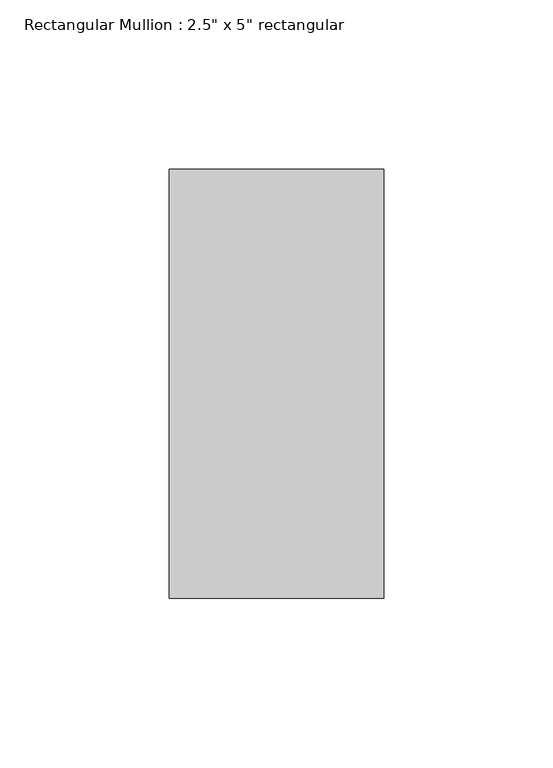
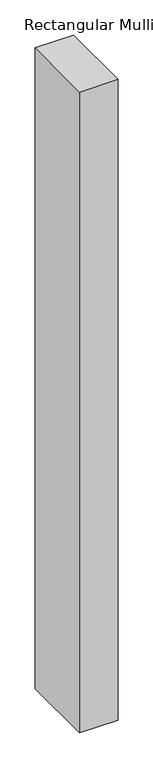
"""IFC4 building model written with IfcOpenShell, lengths in millimetres: member geometry."""

from ifc_helpers import new_model, si_unit, frame, origin, place, context, project, spatial, polyline, outline, extrude, source, transform, mapped, element, save


def member_07a058b7(model_context):
    return source(origin(), model_context, "Body", "SweptSolid", [
        extrude(outline(polyline([(31.75, 63.5), (31.75, -63.5), (-31.75, -63.5), (-31.75, 63.5), (31.75, 63.5)])), frame((0.0, 0.0, -1115.9626593), z_axis=(0.0, 0.0, 1.0), x_axis=(1.0, 0.0, 0.0)), (0.0, 0.0, 1.0), 1115.9626593),
    ])


if __name__ == "__main__":
    model = new_model("IFC4")
    model_context = context("Model", 3, world=origin())
    ifc_project = project(units=[si_unit("LENGTHUNIT", "METRE", prefix="MILLI")], contexts=[model_context])
    site = spatial("IfcSite", under=ifc_project)
    building = spatial("IfcBuilding", under=site)
    placement = place(None, origin())
    member_shape = member_07a058b7(model_context)
    element("IfcMember", 1, ObjectType="Rectangular Mullion : 2.5\" x 5\" rectangular", at=placement, inside=building, context=model_context, shape_type="MappedRepresentation", body=[
        mapped(member_shape, transform((0.0, 0.0, 0.0), x_axis=(1.0, 0.0, 0.0), y_axis=(0.0, 1.0, 0.0), z_axis=(0.0, 0.0, 1.0))),
    ])
    save(model, "model.ifc")
